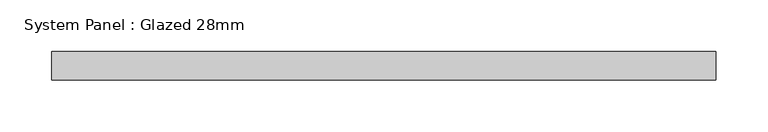
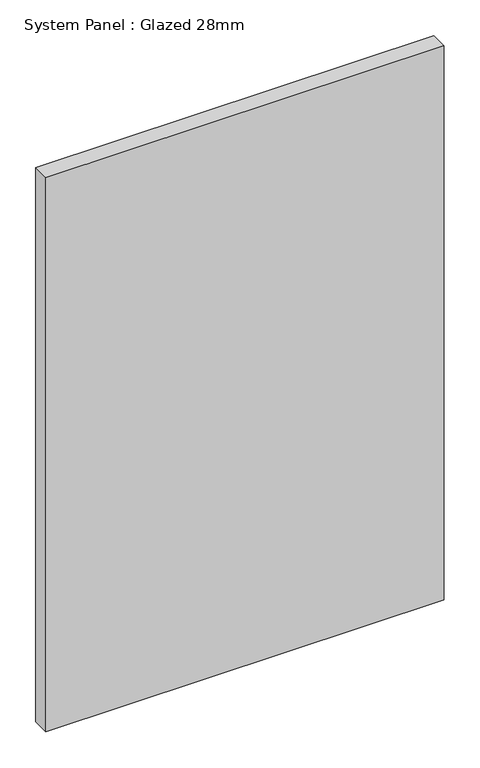
"""IFC4 building model written with IfcOpenShell, lengths in millimetres: plate geometry, System Panel : Glazed 28mm."""

import ifcopenshell
import ifcopenshell.guid

model = None  # the IFC model being written
_history = None  # IfcOwnerHistory: only IFC2X3 demands one
_inside = {}  # id of a spatial element -> (the spatial element, [elements in it])
_under = {}  # id of a project, library or spatial element -> (it, [spatial elements below it])
_declared = {}  # id of a project -> (the project, [libraries it declares])
_typed = {}  # id of a type object -> (the type object, [elements of that type])
_made_of = {}  # id of a material, layer set ... -> (it, [elements and type objects made of it])


def new_model(schema):
    """Start an empty IFC model of exactly this schema.

    Asked for "IFC4X3", IfcOpenShell would pick the latest addendum, in which some entities
    have other attributes; the version numbers below select the first issue.
    IFC2X3 requires an IfcOwnerHistory on every rooted entity: one is made here for all.
    """
    global model, _history
    if schema == "IFC4X3":
        model = ifcopenshell.file(schema_version=(4, 3, 0, 0))
    else:
        model = ifcopenshell.file(schema=schema)
    _inside.clear()
    _under.clear()
    _declared.clear()
    _typed.clear()
    _made_of.clear()
    _history = None
    if model.schema == "IFC2X3":
        org = make("IfcOrganization", Name="unknown")
        user = make(
            "IfcPersonAndOrganization",
            ThePerson=make("IfcPerson", FamilyName="unknown"),
            TheOrganization=org,
        )
        app = make(
            "IfcApplication",
            ApplicationDeveloper=org,
            Version="unknown",
            ApplicationFullName="unknown",
            ApplicationIdentifier="unknown",
        )
        _history = make(
            "IfcOwnerHistory",
            OwningUser=user,
            OwningApplication=app,
            ChangeAction="ADDED",
            CreationDate=0,
        )
    return model


def make(cls, **values):
    """One entity of the class cls with the attributes given. An attribute that is None is left unset."""
    return model.create_entity(
        cls, **{name: value for name, value in values.items() if value is not None}
    )


def rooted(cls, **values):
    """An entity with a GlobalId (a new one), such as an element, a storey or a relation."""
    return make(cls, GlobalId=ifcopenshell.guid.new(), OwnerHistory=_history, **values)


def si_unit(unit_type, name, prefix=None):
    """IfcSIUnit, for example si_unit("LENGTHUNIT", "METRE", prefix="MILLI")."""
    return make("IfcSIUnit", UnitType=unit_type, Prefix=prefix, Name=name)


def assignment(units):
    """IfcUnitAssignment: the units of a project."""
    return None if units is None else make("IfcUnitAssignment", Units=units)


def point(xyz):
    """IfcCartesianPoint."""
    return None if xyz is None else make("IfcCartesianPoint", Coordinates=xyz)


def direction(xyz):
    """IfcDirection."""
    return None if xyz is None else make("IfcDirection", DirectionRatios=xyz)


def frame(location, z_axis=None, x_axis=None):
    """IfcAxis2Placement3D, a coordinate frame: its origin and axes. An axis left out is left unset."""
    return make(
        "IfcAxis2Placement3D",
        Location=point(location),
        Axis=direction(z_axis),
        RefDirection=direction(x_axis),
    )


def origin():
    """The frame at (0, 0, 0) with its axes left unset."""
    return frame((0.0, 0.0, 0.0))


def origin_with_axes():
    """The frame at (0, 0, 0) with the z axis (0, 0, 1) and the x axis (1, 0, 0) written out."""
    return frame((0.0, 0.0, 0.0), z_axis=(0.0, 0.0, 1.0), x_axis=(1.0, 0.0, 0.0))


def place(relative_to, where):
    """IfcLocalPlacement: puts the frame where relative to a parent placement (None: the world)."""
    return make(
        "IfcLocalPlacement", PlacementRelTo=relative_to, RelativePlacement=where
    )


def context(
    kind, dimensions, precision=None, world=None, true_north=None, identifier=None
):
    """IfcGeometricRepresentationContext, for example the 3D "Model" context."""
    return make(
        "IfcGeometricRepresentationContext",
        ContextIdentifier=identifier,
        ContextType=kind,
        CoordinateSpaceDimension=dimensions,
        Precision=precision,
        WorldCoordinateSystem=world,
        TrueNorth=true_north,
    )


def project(units=None, contexts=None):
    """IfcProject with its units and contexts."""
    return rooted(
        "IfcProject",
        Name="project",
        RepresentationContexts=contexts,
        UnitsInContext=assignment(units),
    )


def spatial(cls, under=None, at=None, **own):
    """A site, building, storey or space (cls), placed at a placement, below another one or the project."""
    s = rooted(cls, ObjectPlacement=at, **own)
    if under is not None:
        _under.setdefault(under.id(), (under, []))[1].append(s)
    return s


def polyline(points):
    """IfcPolyline through the points."""
    return make("IfcPolyline", Points=[point(p) for p in points])


def outline(outer, holes=None, kind="AREA"):
    """IfcArbitraryClosedProfileDef: a profile drawn as a closed curve; with holes, ...WithVoids."""
    if holes is None:
        return make("IfcArbitraryClosedProfileDef", ProfileType=kind, OuterCurve=outer)
    return make(
        "IfcArbitraryProfileDefWithVoids",
        ProfileType=kind,
        OuterCurve=outer,
        InnerCurves=holes,
    )


def extrude(swept, where, along, depth):
    """IfcExtrudedAreaSolid: the profile swept, set in the frame where, extruded along a direction by depth."""
    return make(
        "IfcExtrudedAreaSolid",
        SweptArea=swept,
        Position=where,
        ExtrudedDirection=direction(along),
        Depth=depth,
    )


def shape(context_of_items, identifier, shape_type, items):
    """IfcShapeRepresentation: the items that make up one representation, for example the "Body"."""
    return make(
        "IfcShapeRepresentation",
        ContextOfItems=context_of_items,
        RepresentationIdentifier=identifier,
        RepresentationType=shape_type,
        Items=items,
    )


def source(mapping_origin, context_of_items, identifier, shape_type, items):
    """IfcRepresentationMap: a shape defined once, which mapped items show again and again."""
    return make(
        "IfcRepresentationMap",
        MappingOrigin=mapping_origin,
        MappedRepresentation=shape(context_of_items, identifier, shape_type, items),
    )


def transform(
    local_origin,
    x_axis=None,
    y_axis=None,
    z_axis=None,
    scale=None,
    scale2=None,
    scale3=None,
    uniform=True,
):
    """IfcCartesianTransformationOperator3D, or its non-uniform kind. x_axis, y_axis, z_axis: its Axis1, 2, 3."""
    if uniform:
        return make(
            "IfcCartesianTransformationOperator3D",
            Axis1=direction(x_axis),
            Axis2=direction(y_axis),
            LocalOrigin=point(local_origin),
            Scale=scale,
            Axis3=direction(z_axis),
        )
    return make(
        "IfcCartesianTransformationOperator3DnonUniform",
        Axis1=direction(x_axis),
        Axis2=direction(y_axis),
        LocalOrigin=point(local_origin),
        Scale=scale,
        Axis3=direction(z_axis),
        Scale2=scale2,
        Scale3=scale3,
    )


def mapped(mapping_source, mapping_target):
    """IfcMappedItem: shows the shape of a source again, moved by a transform."""
    return make(
        "IfcMappedItem", MappingSource=mapping_source, MappingTarget=mapping_target
    )


def made_of(thing, what):
    """Note that an element or type object is made of a material, layer set ...; save() writes the relation."""
    if what is not None:
        _made_of.setdefault(what.id(), (what, []))[1].append(thing)
    return thing


def element(
    cls,
    number,
    at=None,
    inside=None,
    cuts=None,
    type_object=None,
    material=None,
    context=None,
    identifier="Body",
    shape_type=None,
    held_by="IfcProductDefinitionShape",
    body=None,
    shapes=None,
    **own,
):
    """One element of the class cls, such as IfcWall. Its Tag is "e" and its number.

    at: its placement. inside: the storey or other place that contains it. cuts: it is an
    opening in that element (IfcRelVoidsElement). A single representation is given by context,
    identifier, shape_type and body (its items); several are given by shapes. held_by: the class
    of the entity that holds the representations. save() writes the other relations.
    """
    e = rooted(cls, Tag="e%d" % number, ObjectPlacement=at, **own)
    if body is not None:
        shapes = [shape(context, identifier, shape_type, body)]
    if shapes is not None:
        e.Representation = make(held_by, Representations=shapes)
    if inside is not None:
        _inside.setdefault(inside.id(), (inside, []))[1].append(e)
    if cuts is not None:
        rooted(
            "IfcRelVoidsElement", RelatingBuildingElement=cuts, RelatedOpeningElement=e
        )
    if type_object is not None:
        _typed.setdefault(type_object.id(), (type_object, []))[1].append(e)
    return made_of(e, material)


def aggregate(whole, parts):
    """IfcRelAggregates: a whole, such as a stair, and the parts it consists of."""
    return rooted("IfcRelAggregates", RelatingObject=whole, RelatedObjects=parts)


def save(model, path):
    """Write the relations noted so far, then the file.

    IfcRelAggregates (storeys below a building ...), IfcRelContainedInSpatialStructure (elements
    in a storey), IfcRelDefinesByType, IfcRelAssociatesMaterial and IfcRelDeclares: one each for
    every whole, place, type object, material and project.
    """
    for whole, parts in _under.values():
        aggregate(whole, parts)
    for where, things in _inside.values():
        rooted(
            "IfcRelContainedInSpatialStructure",
            RelatedElements=things,
            RelatingStructure=where,
        )
    for kind, things in _typed.values():
        rooted("IfcRelDefinesByType", RelatedObjects=things, RelatingType=kind)
    for what, things in _made_of.values():
        rooted("IfcRelAssociatesMaterial", RelatedObjects=things, RelatingMaterial=what)
    for by, libraries in _declared.values():
        rooted("IfcRelDeclares", RelatingContext=by, RelatedDefinitions=libraries)
    model.write(path)


def system_panel_glazed_28mm_6501821c(model_context):
    return source(origin(), model_context, "Body", "SweptSolid", [
        extrude(outline(polyline([(322.5938476, -14.0), (-322.5938476, -14.0), (-322.5938476, 14.0), (322.5938476, 14.0), (322.5938476, -14.0)])), origin_with_axes(), (0.0, 0.0, 1.0), 948.6794583),
    ])


if __name__ == "__main__":
    model = new_model("IFC4")
    model_context = context("Model", 3, world=origin())
    ifc_project = project(units=[si_unit("LENGTHUNIT", "METRE", prefix="MILLI")], contexts=[model_context])
    site = spatial("IfcSite", under=ifc_project)
    building = spatial("IfcBuilding", under=site)
    placement = place(None, origin())
    system_panel_glazed_28mm_shape = system_panel_glazed_28mm_6501821c(model_context)
    element("IfcPlate", 1, ObjectType="System Panel : Glazed 28mm", at=placement, inside=building, context=model_context, shape_type="MappedRepresentation", body=[
        mapped(system_panel_glazed_28mm_shape, transform((0.0, 0.0, 0.0), x_axis=(1.0, 0.0, 0.0), y_axis=(0.0, 1.0, 0.0), z_axis=(0.0, 0.0, 1.0))),
    ])
    save(model, "model.ifc")
